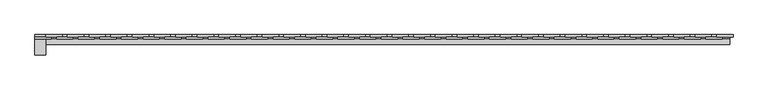
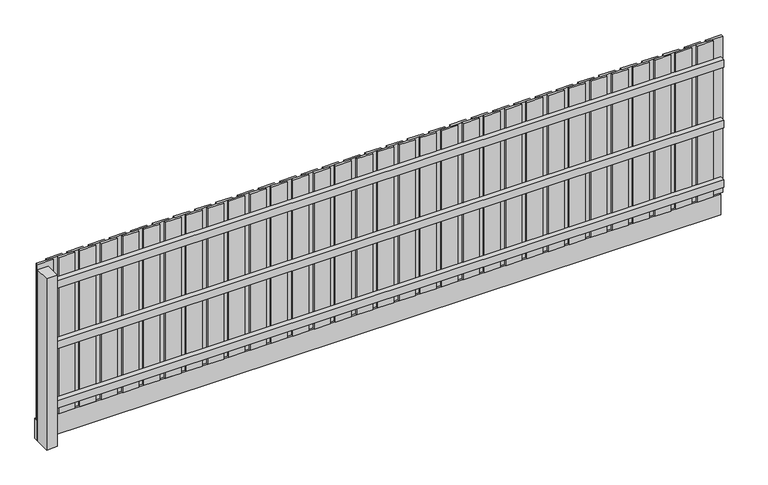
"""IFC4 building model written with IfcOpenShell, lengths in millimetres: geographic element geometry."""

from ifc_helpers import new_model, si_unit, frame, origin, origin_with_axes, place, context, project, spatial, polyline, outline, extrude, source, transform, mapped, element, save


def geographic_element_e927730a(model_context):
    return source(origin(), model_context, "Body", "SweptSolid", [
        extrude(outline(polyline([(6450.6871344, 20.0), (6300.3435672, 20.0), (6300.3435672, 40.0), (6450.6871344, 40.0), (6450.6871344, 20.0)])), frame((0.0, 0.0, 200.0), z_axis=(0.0, 0.0, 1.0), x_axis=(1.0, 0.0, 0.0)), (0.0, 0.0, 1.0), 1550.0),
        extrude(outline(polyline([(6350.3435672, 0.0), (6200.0, 0.0), (6200.0, 20.0), (6350.3435672, 20.0), (6350.3435672, 0.0)])), frame((0.0, 0.0, 200.0), z_axis=(0.0, 0.0, 1.0), x_axis=(1.0, 0.0, 0.0)), (0.0, 0.0, 1.0), 1550.0),
        extrude(outline(polyline([(6250.6871344, 20.0), (6100.3435672, 20.0), (6100.3435672, 40.0), (6250.6871344, 40.0), (6250.6871344, 20.0)])), frame((0.0, 0.0, 200.0), z_axis=(0.0, 0.0, 1.0), x_axis=(1.0, 0.0, 0.0)), (0.0, 0.0, 1.0), 1550.0),
        extrude(outline(polyline([(6150.3435672, 0.0), (6000.0, 0.0), (6000.0, 20.0), (6150.3435672, 20.0), (6150.3435672, 0.0)])), frame((0.0, 0.0, 200.0), z_axis=(0.0, 0.0, 1.0), x_axis=(1.0, 0.0, 0.0)), (0.0, 0.0, 1.0), 1550.0),
        extrude(outline(polyline([(6050.6871344, 20.0), (5900.3435672, 20.0), (5900.3435672, 40.0), (6050.6871344, 40.0), (6050.6871344, 20.0)])), frame((0.0, 0.0, 200.0), z_axis=(0.0, 0.0, 1.0), x_axis=(1.0, 0.0, 0.0)), (0.0, 0.0, 1.0), 1550.0),
        extrude(outline(polyline([(5950.3435672, 0.0), (5800.0, 0.0), (5800.0, 20.0), (5950.3435672, 20.0), (5950.3435672, 0.0)])), frame((0.0, 0.0, 200.0), z_axis=(0.0, 0.0, 1.0), x_axis=(1.0, 0.0, 0.0)), (0.0, 0.0, 1.0), 1550.0),
        extrude(outline(polyline([(5850.6871344, 20.0), (5700.3435672, 20.0), (5700.3435672, 40.0), (5850.6871344, 40.0), (5850.6871344, 20.0)])), frame((0.0, 0.0, 200.0), z_axis=(0.0, 0.0, 1.0), x_axis=(1.0, 0.0, 0.0)), (0.0, 0.0, 1.0), 1550.0),
        extrude(outline(polyline([(5750.3435672, 0.0), (5600.0, 0.0), (5600.0, 20.0), (5750.3435672, 20.0), (5750.3435672, 0.0)])), frame((0.0, 0.0, 200.0), z_axis=(0.0, 0.0, 1.0), x_axis=(1.0, 0.0, 0.0)), (0.0, 0.0, 1.0), 1550.0),
        extrude(outline(polyline([(5650.6871344, 20.0), (5500.3435672, 20.0), (5500.3435672, 40.0), (5650.6871344, 40.0), (5650.6871344, 20.0)])), frame((0.0, 0.0, 200.0), z_axis=(0.0, 0.0, 1.0), x_axis=(1.0, 0.0, 0.0)), (0.0, 0.0, 1.0), 1550.0),
        extrude(outline(polyline([(5550.3435672, 0.0), (5400.0, 0.0), (5400.0, 20.0), (5550.3435672, 20.0), (5550.3435672, 0.0)])), frame((0.0, 0.0, 200.0), z_axis=(0.0, 0.0, 1.0), x_axis=(1.0, 0.0, 0.0)), (0.0, 0.0, 1.0), 1550.0),
        extrude(outline(polyline([(5450.6871344, 20.0), (5300.3435672, 20.0), (5300.3435672, 40.0), (5450.6871344, 40.0), (5450.6871344, 20.0)])), frame((0.0, 0.0, 200.0), z_axis=(0.0, 0.0, 1.0), x_axis=(1.0, 0.0, 0.0)), (0.0, 0.0, 1.0), 1550.0),
        extrude(outline(polyline([(5350.3435672, 0.0), (5200.0, 0.0), (5200.0, 20.0), (5350.3435672, 20.0), (5350.3435672, 0.0)])), frame((0.0, 0.0, 200.0), z_axis=(0.0, 0.0, 1.0), x_axis=(1.0, 0.0, 0.0)), (0.0, 0.0, 1.0), 1550.0),
        extrude(outline(polyline([(5250.6871344, 20.0), (5100.3435672, 20.0), (5100.3435672, 40.0), (5250.6871344, 40.0), (5250.6871344, 20.0)])), frame((0.0, 0.0, 200.0), z_axis=(0.0, 0.0, 1.0), x_axis=(1.0, 0.0, 0.0)), (0.0, 0.0, 1.0), 1550.0),
        extrude(outline(polyline([(5150.3435672, 0.0), (5000.0, 0.0), (5000.0, 20.0), (5150.3435672, 20.0), (5150.3435672, 0.0)])), frame((0.0, 0.0, 200.0), z_axis=(0.0, 0.0, 1.0), x_axis=(1.0, 0.0, 0.0)), (0.0, 0.0, 1.0), 1550.0),
        extrude(outline(polyline([(5050.6871344, 20.0), (4900.3435672, 20.0), (4900.3435672, 40.0), (5050.6871344, 40.0), (5050.6871344, 20.0)])), frame((0.0, 0.0, 200.0), z_axis=(0.0, 0.0, 1.0), x_axis=(1.0, 0.0, 0.0)), (0.0, 0.0, 1.0), 1550.0),
        extrude(outline(polyline([(4950.3435672, 0.0), (4800.0, 0.0), (4800.0, 20.0), (4950.3435672, 20.0), (4950.3435672, 0.0)])), frame((0.0, 0.0, 200.0), z_axis=(0.0, 0.0, 1.0), x_axis=(1.0, 0.0, 0.0)), (0.0, 0.0, 1.0), 1550.0),
        extrude(outline(polyline([(4850.6871344, 20.0), (4700.3435672, 20.0), (4700.3435672, 40.0), (4850.6871344, 40.0), (4850.6871344, 20.0)])), frame((0.0, 0.0, 200.0), z_axis=(0.0, 0.0, 1.0), x_axis=(1.0, 0.0, 0.0)), (0.0, 0.0, 1.0), 1550.0),
        extrude(outline(polyline([(4750.3435672, 0.0), (4600.0, 0.0), (4600.0, 20.0), (4750.3435672, 20.0), (4750.3435672, 0.0)])), frame((0.0, 0.0, 200.0), z_axis=(0.0, 0.0, 1.0), x_axis=(1.0, 0.0, 0.0)), (0.0, 0.0, 1.0), 1550.0),
        extrude(outline(polyline([(4650.6871344, 20.0), (4500.3435672, 20.0), (4500.3435672, 40.0), (4650.6871344, 40.0), (4650.6871344, 20.0)])), frame((0.0, 0.0, 200.0), z_axis=(0.0, 0.0, 1.0), x_axis=(1.0, 0.0, 0.0)), (0.0, 0.0, 1.0), 1550.0),
        extrude(outline(polyline([(4550.3435672, 0.0), (4400.0, 0.0), (4400.0, 20.0), (4550.3435672, 20.0), (4550.3435672, 0.0)])), frame((0.0, 0.0, 200.0), z_axis=(0.0, 0.0, 1.0), x_axis=(1.0, 0.0, 0.0)), (0.0, 0.0, 1.0), 1550.0),
        extrude(outline(polyline([(4450.6871344, 20.0), (4300.3435672, 20.0), (4300.3435672, 40.0), (4450.6871344, 40.0), (4450.6871344, 20.0)])), frame((0.0, 0.0, 200.0), z_axis=(0.0, 0.0, 1.0), x_axis=(1.0, 0.0, 0.0)), (0.0, 0.0, 1.0), 1550.0),
        extrude(outline(polyline([(4350.3435672, 0.0), (4200.0, 0.0), (4200.0, 20.0), (4350.3435672, 20.0), (4350.3435672, 0.0)])), frame((0.0, 0.0, 200.0), z_axis=(0.0, 0.0, 1.0), x_axis=(1.0, 0.0, 0.0)), (0.0, 0.0, 1.0), 1550.0),
        extrude(outline(polyline([(4250.6871344, 20.0), (4100.3435672, 20.0), (4100.3435672, 40.0), (4250.6871344, 40.0), (4250.6871344, 20.0)])), frame((0.0, 0.0, 200.0), z_axis=(0.0, 0.0, 1.0), x_axis=(1.0, 0.0, 0.0)), (0.0, 0.0, 1.0), 1550.0),
        extrude(outline(polyline([(4150.3435672, 0.0), (4000.0, 0.0), (4000.0, 20.0), (4150.3435672, 20.0), (4150.3435672, 0.0)])), frame((0.0, 0.0, 200.0), z_axis=(0.0, 0.0, 1.0), x_axis=(1.0, 0.0, 0.0)), (0.0, 0.0, 1.0), 1550.0),
        extrude(outline(polyline([(4050.6871344, 20.0), (3900.3435672, 20.0), (3900.3435672, 40.0), (4050.6871344, 40.0), (4050.6871344, 20.0)])), frame((0.0, 0.0, 200.0), z_axis=(0.0, 0.0, 1.0), x_axis=(1.0, 0.0, 0.0)), (0.0, 0.0, 1.0), 1550.0),
        extrude(outline(polyline([(3950.3435672, 0.0), (3800.0, 0.0), (3800.0, 20.0), (3950.3435672, 20.0), (3950.3435672, 0.0)])), frame((0.0, 0.0, 200.0), z_axis=(0.0, 0.0, 1.0), x_axis=(1.0, 0.0, 0.0)), (0.0, 0.0, 1.0), 1550.0),
        extrude(outline(polyline([(3850.6871344, 20.0), (3700.3435672, 20.0), (3700.3435672, 40.0), (3850.6871344, 40.0), (3850.6871344, 20.0)])), frame((0.0, 0.0, 200.0), z_axis=(0.0, 0.0, 1.0), x_axis=(1.0, 0.0, 0.0)), (0.0, 0.0, 1.0), 1550.0),
        extrude(outline(polyline([(3750.3435672, 0.0), (3600.0, 0.0), (3600.0, 20.0), (3750.3435672, 20.0), (3750.3435672, 0.0)])), frame((0.0, 0.0, 200.0), z_axis=(0.0, 0.0, 1.0), x_axis=(1.0, 0.0, 0.0)), (0.0, 0.0, 1.0), 1550.0),
        extrude(outline(polyline([(3650.6871344, 20.0), (3500.3435672, 20.0), (3500.3435672, 40.0), (3650.6871344, 40.0), (3650.6871344, 20.0)])), frame((0.0, 0.0, 200.0), z_axis=(0.0, 0.0, 1.0), x_axis=(1.0, 0.0, 0.0)), (0.0, 0.0, 1.0), 1550.0),
        extrude(outline(polyline([(3550.3435672, 0.0), (3400.0, 0.0), (3400.0, 20.0), (3550.3435672, 20.0), (3550.3435672, 0.0)])), frame((0.0, 0.0, 200.0), z_axis=(0.0, 0.0, 1.0), x_axis=(1.0, 0.0, 0.0)), (0.0, 0.0, 1.0), 1550.0),
        extrude(outline(polyline([(3450.6871344, 20.0), (3300.3435672, 20.0), (3300.3435672, 40.0), (3450.6871344, 40.0), (3450.6871344, 20.0)])), frame((0.0, 0.0, 200.0), z_axis=(0.0, 0.0, 1.0), x_axis=(1.0, 0.0, 0.0)), (0.0, 0.0, 1.0), 1550.0),
        extrude(outline(polyline([(3350.3435672, 0.0), (3200.0, 0.0), (3200.0, 20.0), (3350.3435672, 20.0), (3350.3435672, 0.0)])), frame((0.0, 0.0, 200.0), z_axis=(0.0, 0.0, 1.0), x_axis=(1.0, 0.0, 0.0)), (0.0, 0.0, 1.0), 1550.0),
        extrude(outline(polyline([(3250.6871344, 20.0), (3100.3435672, 20.0), (3100.3435672, 40.0), (3250.6871344, 40.0), (3250.6871344, 20.0)])), frame((0.0, 0.0, 200.0), z_axis=(0.0, 0.0, 1.0), x_axis=(1.0, 0.0, 0.0)), (0.0, 0.0, 1.0), 1550.0),
        extrude(outline(polyline([(3150.3435672, 0.0), (3000.0, 0.0), (3000.0, 20.0), (3150.3435672, 20.0), (3150.3435672, 0.0)])), frame((0.0, 0.0, 200.0), z_axis=(0.0, 0.0, 1.0), x_axis=(1.0, 0.0, 0.0)), (0.0, 0.0, 1.0), 1550.0),
        extrude(outline(polyline([(3050.6871344, 20.0), (2900.3435672, 20.0), (2900.3435672, 40.0), (3050.6871344, 40.0), (3050.6871344, 20.0)])), frame((0.0, 0.0, 200.0), z_axis=(0.0, 0.0, 1.0), x_axis=(1.0, 0.0, 0.0)), (0.0, 0.0, 1.0), 1550.0),
        extrude(outline(polyline([(2950.3435672, 0.0), (2800.0, 0.0), (2800.0, 20.0), (2950.3435672, 20.0), (2950.3435672, 0.0)])), frame((0.0, 0.0, 200.0), z_axis=(0.0, 0.0, 1.0), x_axis=(1.0, 0.0, 0.0)), (0.0, 0.0, 1.0), 1550.0),
        extrude(outline(polyline([(2850.6871344, 20.0), (2700.3435672, 20.0), (2700.3435672, 40.0), (2850.6871344, 40.0), (2850.6871344, 20.0)])), frame((0.0, 0.0, 200.0), z_axis=(0.0, 0.0, 1.0), x_axis=(1.0, 0.0, 0.0)), (0.0, 0.0, 1.0), 1550.0),
        extrude(outline(polyline([(2750.3435672, 0.0), (2600.0, 0.0), (2600.0, 20.0), (2750.3435672, 20.0), (2750.3435672, 0.0)])), frame((0.0, 0.0, 200.0), z_axis=(0.0, 0.0, 1.0), x_axis=(1.0, 0.0, 0.0)), (0.0, 0.0, 1.0), 1550.0),
        extrude(outline(polyline([(2650.6871344, 20.0), (2500.3435672, 20.0), (2500.3435672, 40.0), (2650.6871344, 40.0), (2650.6871344, 20.0)])), frame((0.0, 0.0, 200.0), z_axis=(0.0, 0.0, 1.0), x_axis=(1.0, 0.0, 0.0)), (0.0, 0.0, 1.0), 1550.0),
        extrude(outline(polyline([(2550.3435672, 0.0), (2400.0, 0.0), (2400.0, 20.0), (2550.3435672, 20.0), (2550.3435672, 0.0)])), frame((0.0, 0.0, 200.0), z_axis=(0.0, 0.0, 1.0), x_axis=(1.0, 0.0, 0.0)), (0.0, 0.0, 1.0), 1550.0),
        extrude(outline(polyline([(2450.6871344, 20.0), (2300.3435672, 20.0), (2300.3435672, 40.0), (2450.6871344, 40.0), (2450.6871344, 20.0)])), frame((0.0, 0.0, 200.0), z_axis=(0.0, 0.0, 1.0), x_axis=(1.0, 0.0, 0.0)), (0.0, 0.0, 1.0), 1550.0),
        extrude(outline(polyline([(2350.3435672, 0.0), (2200.0, 0.0), (2200.0, 20.0), (2350.3435672, 20.0), (2350.3435672, 0.0)])), frame((0.0, 0.0, 200.0), z_axis=(0.0, 0.0, 1.0), x_axis=(1.0, 0.0, 0.0)), (0.0, 0.0, 1.0), 1550.0),
        extrude(outline(polyline([(2250.6871344, 20.0), (2100.3435672, 20.0), (2100.3435672, 40.0), (2250.6871344, 40.0), (2250.6871344, 20.0)])), frame((0.0, 0.0, 200.0), z_axis=(0.0, 0.0, 1.0), x_axis=(1.0, 0.0, 0.0)), (0.0, 0.0, 1.0), 1550.0),
        extrude(outline(polyline([(2150.3435672, 0.0), (2000.0, 0.0), (2000.0, 20.0), (2150.3435672, 20.0), (2150.3435672, 0.0)])), frame((0.0, 0.0, 200.0), z_axis=(0.0, 0.0, 1.0), x_axis=(1.0, 0.0, 0.0)), (0.0, 0.0, 1.0), 1550.0),
        extrude(outline(polyline([(2050.6871344, 20.0), (1900.3435672, 20.0), (1900.3435672, 40.0), (2050.6871344, 40.0), (2050.6871344, 20.0)])), frame((0.0, 0.0, 200.0), z_axis=(0.0, 0.0, 1.0), x_axis=(1.0, 0.0, 0.0)), (0.0, 0.0, 1.0), 1550.0),
        extrude(outline(polyline([(1950.3435672, 0.0), (1800.0, 0.0), (1800.0, 20.0), (1950.3435672, 20.0), (1950.3435672, 0.0)])), frame((0.0, 0.0, 200.0), z_axis=(0.0, 0.0, 1.0), x_axis=(1.0, 0.0, 0.0)), (0.0, 0.0, 1.0), 1550.0),
        extrude(outline(polyline([(1850.6871344, 20.0), (1700.3435672, 20.0), (1700.3435672, 40.0), (1850.6871344, 40.0), (1850.6871344, 20.0)])), frame((0.0, 0.0, 200.0), z_axis=(0.0, 0.0, 1.0), x_axis=(1.0, 0.0, 0.0)), (0.0, 0.0, 1.0), 1550.0),
        extrude(outline(polyline([(1750.3435672, 0.0), (1600.0, 0.0), (1600.0, 20.0), (1750.3435672, 20.0), (1750.3435672, 0.0)])), frame((0.0, 0.0, 200.0), z_axis=(0.0, 0.0, 1.0), x_axis=(1.0, 0.0, 0.0)), (0.0, 0.0, 1.0), 1550.0),
        extrude(outline(polyline([(1650.6871344, 20.0), (1500.3435672, 20.0), (1500.3435672, 40.0), (1650.6871344, 40.0), (1650.6871344, 20.0)])), frame((0.0, 0.0, 200.0), z_axis=(0.0, 0.0, 1.0), x_axis=(1.0, 0.0, 0.0)), (0.0, 0.0, 1.0), 1550.0),
        extrude(outline(polyline([(1550.3435672, 0.0), (1400.0, 0.0), (1400.0, 20.0), (1550.3435672, 20.0), (1550.3435672, 0.0)])), frame((0.0, 0.0, 200.0), z_axis=(0.0, 0.0, 1.0), x_axis=(1.0, 0.0, 0.0)), (0.0, 0.0, 1.0), 1550.0),
        extrude(outline(polyline([(1450.6871344, 20.0), (1300.3435672, 20.0), (1300.3435672, 40.0), (1450.6871344, 40.0), (1450.6871344, 20.0)])), frame((0.0, 0.0, 200.0), z_axis=(0.0, 0.0, 1.0), x_axis=(1.0, 0.0, 0.0)), (0.0, 0.0, 1.0), 1550.0),
        extrude(outline(polyline([(1350.3435672, 0.0), (1200.0, 0.0), (1200.0, 20.0), (1350.3435672, 20.0), (1350.3435672, 0.0)])), frame((0.0, 0.0, 200.0), z_axis=(0.0, 0.0, 1.0), x_axis=(1.0, 0.0, 0.0)), (0.0, 0.0, 1.0), 1550.0),
        extrude(outline(polyline([(1250.6871344, 20.0), (1100.3435672, 20.0), (1100.3435672, 40.0), (1250.6871344, 40.0), (1250.6871344, 20.0)])), frame((0.0, 0.0, 200.0), z_axis=(0.0, 0.0, 1.0), x_axis=(1.0, 0.0, 0.0)), (0.0, 0.0, 1.0), 1550.0),
        extrude(outline(polyline([(1150.3435672, 0.0), (1000.0, 0.0), (1000.0, 20.0), (1150.3435672, 20.0), (1150.3435672, 0.0)])), frame((0.0, 0.0, 200.0), z_axis=(0.0, 0.0, 1.0), x_axis=(1.0, 0.0, 0.0)), (0.0, 0.0, 1.0), 1550.0),
        extrude(outline(polyline([(1050.6871344, 20.0), (900.3435672, 20.0), (900.3435672, 40.0), (1050.6871344, 40.0), (1050.6871344, 20.0)])), frame((0.0, 0.0, 200.0), z_axis=(0.0, 0.0, 1.0), x_axis=(1.0, 0.0, 0.0)), (0.0, 0.0, 1.0), 1550.0),
        extrude(outline(polyline([(950.3435672, 0.0), (800.0, 0.0), (800.0, 20.0), (950.3435672, 20.0), (950.3435672, 0.0)])), frame((0.0, 0.0, 200.0), z_axis=(0.0, 0.0, 1.0), x_axis=(1.0, 0.0, 0.0)), (0.0, 0.0, 1.0), 1550.0),
        extrude(outline(polyline([(850.6871344, 20.0), (700.3435672, 20.0), (700.3435672, 40.0), (850.6871344, 40.0), (850.6871344, 20.0)])), frame((0.0, 0.0, 200.0), z_axis=(0.0, 0.0, 1.0), x_axis=(1.0, 0.0, 0.0)), (0.0, 0.0, 1.0), 1550.0),
        extrude(outline(polyline([(750.3435672, 0.0), (600.0, 0.0), (600.0, 20.0), (750.3435672, 20.0), (750.3435672, 0.0)])), frame((0.0, 0.0, 200.0), z_axis=(0.0, 0.0, 1.0), x_axis=(1.0, 0.0, 0.0)), (0.0, 0.0, 1.0), 1550.0),
        extrude(outline(polyline([(650.6871344, 20.0), (500.3435672, 20.0), (500.3435672, 40.0), (650.6871344, 40.0), (650.6871344, 20.0)])), frame((0.0, 0.0, 200.0), z_axis=(0.0, 0.0, 1.0), x_axis=(1.0, 0.0, 0.0)), (0.0, 0.0, 1.0), 1550.0),
        extrude(outline(polyline([(550.3435672, 0.0), (400.0, 0.0), (400.0, 20.0), (550.3435672, 20.0), (550.3435672, 0.0)])), frame((0.0, 0.0, 200.0), z_axis=(0.0, 0.0, 1.0), x_axis=(1.0, 0.0, 0.0)), (0.0, 0.0, 1.0), 1550.0),
        extrude(outline(polyline([(450.6871344, 20.0), (300.3435672, 20.0), (300.3435672, 40.0), (450.6871344, 40.0), (450.6871344, 20.0)])), frame((0.0, 0.0, 200.0), z_axis=(0.0, 0.0, 1.0), x_axis=(1.0, 0.0, 0.0)), (0.0, 0.0, 1.0), 1550.0),
        extrude(outline(polyline([(350.3435672, 0.0), (200.0, 0.0), (200.0, 20.0), (350.3435672, 20.0), (350.3435672, 0.0)])), frame((0.0, 0.0, 200.0), z_axis=(0.0, 0.0, 1.0), x_axis=(1.0, 0.0, 0.0)), (0.0, 0.0, 1.0), 1550.0),
        extrude(outline(polyline([(250.6871344, 20.0), (100.3435672, 20.0), (100.3435672, 40.0), (250.6871344, 40.0), (250.6871344, 20.0)])), frame((0.0, 0.0, 200.0), z_axis=(0.0, 0.0, 1.0), x_axis=(1.0, 0.0, 0.0)), (0.0, 0.0, 1.0), 1550.0),
        extrude(outline(polyline([(150.3435672, 0.0), (0.0, 0.0), (0.0, 20.0), (150.3435672, 20.0), (150.3435672, 0.0)])), frame((0.0, 0.0, 200.0), z_axis=(0.0, 0.0, 1.0), x_axis=(1.0, 0.0, 0.0)), (0.0, 0.0, 1.0), 1550.0),
        extrude(outline(polyline([(100.0, 0.0), (100.0, -150.0), (0.0, -150.0), (0.0, 0.0), (100.0, 0.0)])), origin_with_axes(), (0.0, 0.0, 1.0), 1700.0),
        extrude(outline(polyline([(6420.5, 40.0), (6420.5, 0.0), (0.0, 0.0), (0.0, 40.0), (6420.5, 40.0)])), origin_with_axes(), (0.0, 0.0, 1.0), 200.0),
        extrude(outline(polyline([(6420.5, 0.0), (6420.5, -50.0), (100.0, -50.0), (100.0, 0.0), (6420.5, 0.0)])), frame((0.0, 0.0, 891.4749271), z_axis=(0.0, 0.0, 1.0), x_axis=(1.0, 0.0, 0.0)), (0.0, 0.0, 1.0), 75.0),
        extrude(outline(polyline([(6420.5, 0.0), (6420.5, -50.0), (100.0, -50.0), (100.0, 0.0), (6420.5, 0.0)])), frame((0.0, 0.0, 1491.4749271), z_axis=(0.0, 0.0, 1.0), x_axis=(1.0, 0.0, 0.0)), (0.0, 0.0, 1.0), 75.0),
        extrude(outline(polyline([(6420.5, 0.0), (6420.5, -50.0), (100.0, -50.0), (100.0, 0.0), (6420.5, 0.0)])), frame((0.0, 0.0, 300.0), z_axis=(0.0, 0.0, 1.0), x_axis=(1.0, 0.0, 0.0)), (0.0, 0.0, 1.0), 75.0),
    ])


if __name__ == "__main__":
    model = new_model("IFC4")
    model_context = context("Model", 3, world=origin())
    ifc_project = project(units=[si_unit("LENGTHUNIT", "METRE", prefix="MILLI")], contexts=[model_context])
    site = spatial("IfcSite", under=ifc_project)
    building = spatial("IfcBuilding", under=site)
    placement = place(None, origin())
    geographic_element_shape = geographic_element_e927730a(model_context)
    element("IfcGeographicElement", 1, at=placement, inside=building, context=model_context, shape_type="MappedRepresentation", body=[
        mapped(geographic_element_shape, transform((0.0, 0.0, 0.0), x_axis=(1.0, 0.0, 0.0), y_axis=(0.0, 1.0, 0.0), z_axis=(0.0, 0.0, 1.0))),
    ])
    save(model, "model.ifc")
